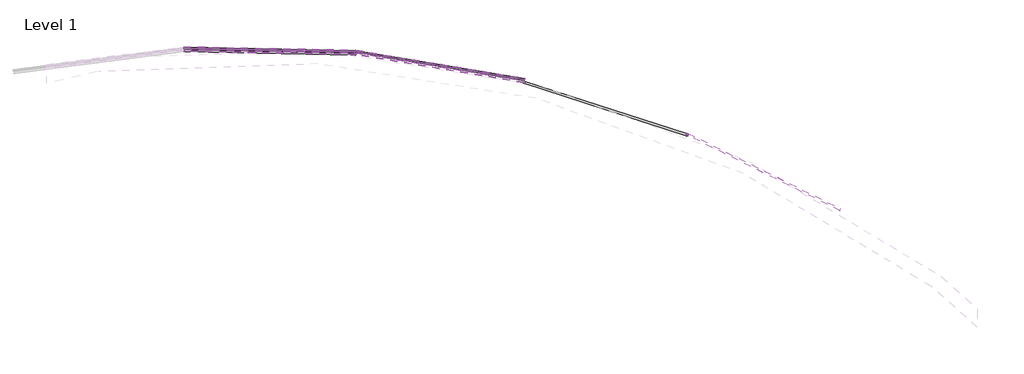
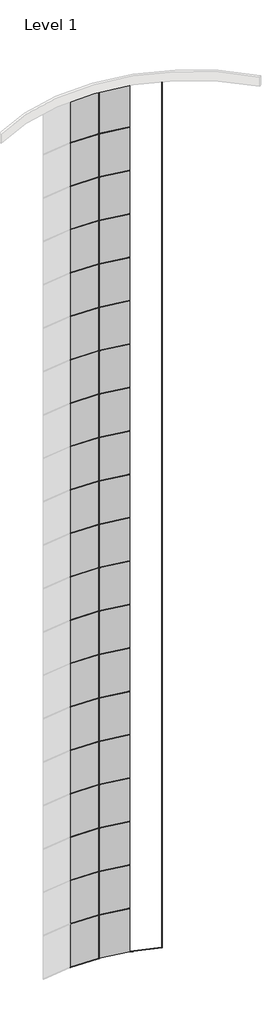
# One storey, part 20 of 25: 81 members, 40 plates.
"""IFC4 building model written with IfcOpenShell, lengths in millimetres."""

import ifcopenshell
import ifcopenshell.guid

model = None  # the IFC model being written
_history = None  # IfcOwnerHistory: only IFC2X3 demands one
_inside = {}  # id of a spatial element -> (the spatial element, [elements in it])
_under = {}  # id of a project, library or spatial element -> (it, [spatial elements below it])
_declared = {}  # id of a project -> (the project, [libraries it declares])
_typed = {}  # id of a type object -> (the type object, [elements of that type])
_made_of = {}  # id of a material, layer set ... -> (it, [elements and type objects made of it])


def new_model(schema):
    """Start an empty IFC model of exactly this schema.

    Asked for "IFC4X3", IfcOpenShell would pick the latest addendum, in which some entities
    have other attributes; the version numbers below select the first issue.
    IFC2X3 requires an IfcOwnerHistory on every rooted entity: one is made here for all.
    """
    global model, _history
    if schema == "IFC4X3":
        model = ifcopenshell.file(schema_version=(4, 3, 0, 0))
    else:
        model = ifcopenshell.file(schema=schema)
    _inside.clear()
    _under.clear()
    _declared.clear()
    _typed.clear()
    _made_of.clear()
    _history = None
    if model.schema == "IFC2X3":
        org = make("IfcOrganization", Name="unknown")
        user = make(
            "IfcPersonAndOrganization",
            ThePerson=make("IfcPerson", FamilyName="unknown"),
            TheOrganization=org,
        )
        app = make(
            "IfcApplication",
            ApplicationDeveloper=org,
            Version="unknown",
            ApplicationFullName="unknown",
            ApplicationIdentifier="unknown",
        )
        _history = make(
            "IfcOwnerHistory",
            OwningUser=user,
            OwningApplication=app,
            ChangeAction="ADDED",
            CreationDate=0,
        )
    return model


def make(cls, **values):
    """One entity of the class cls with the attributes given. An attribute that is None is left unset."""
    return model.create_entity(
        cls, **{name: value for name, value in values.items() if value is not None}
    )


def rooted(cls, **values):
    """An entity with a GlobalId (a new one), such as an element, a storey or a relation."""
    return make(cls, GlobalId=ifcopenshell.guid.new(), OwnerHistory=_history, **values)


def si_unit(unit_type, name, prefix=None):
    """IfcSIUnit, for example si_unit("LENGTHUNIT", "METRE", prefix="MILLI")."""
    return make("IfcSIUnit", UnitType=unit_type, Prefix=prefix, Name=name)


def assignment(units):
    """IfcUnitAssignment: the units of a project."""
    return None if units is None else make("IfcUnitAssignment", Units=units)


def point(xyz):
    """IfcCartesianPoint."""
    return None if xyz is None else make("IfcCartesianPoint", Coordinates=xyz)


def direction(xyz):
    """IfcDirection."""
    return None if xyz is None else make("IfcDirection", DirectionRatios=xyz)


def frame(location, z_axis=None, x_axis=None):
    """IfcAxis2Placement3D, a coordinate frame: its origin and axes. An axis left out is left unset."""
    return make(
        "IfcAxis2Placement3D",
        Location=point(location),
        Axis=direction(z_axis),
        RefDirection=direction(x_axis),
    )


def origin():
    """The frame at (0, 0, 0) with its axes left unset."""
    return frame((0.0, 0.0, 0.0))


def origin_with_axes():
    """The frame at (0, 0, 0) with the z axis (0, 0, 1) and the x axis (1, 0, 0) written out."""
    return frame((0.0, 0.0, 0.0), z_axis=(0.0, 0.0, 1.0), x_axis=(1.0, 0.0, 0.0))


def place(relative_to, where):
    """IfcLocalPlacement: puts the frame where relative to a parent placement (None: the world)."""
    return make(
        "IfcLocalPlacement", PlacementRelTo=relative_to, RelativePlacement=where
    )


def context(
    kind, dimensions, precision=None, world=None, true_north=None, identifier=None
):
    """IfcGeometricRepresentationContext, for example the 3D "Model" context."""
    return make(
        "IfcGeometricRepresentationContext",
        ContextIdentifier=identifier,
        ContextType=kind,
        CoordinateSpaceDimension=dimensions,
        Precision=precision,
        WorldCoordinateSystem=world,
        TrueNorth=true_north,
    )


def project(units=None, contexts=None):
    """IfcProject with its units and contexts."""
    return rooted(
        "IfcProject",
        Name="project",
        RepresentationContexts=contexts,
        UnitsInContext=assignment(units),
    )


def spatial(cls, under=None, at=None, **own):
    """A site, building, storey or space (cls), placed at a placement, below another one or the project."""
    s = rooted(cls, ObjectPlacement=at, **own)
    if under is not None:
        _under.setdefault(under.id(), (under, []))[1].append(s)
    return s


def polyline(points):
    """IfcPolyline through the points."""
    return make("IfcPolyline", Points=[point(p) for p in points])


def outline(outer, holes=None, kind="AREA"):
    """IfcArbitraryClosedProfileDef: a profile drawn as a closed curve; with holes, ...WithVoids."""
    if holes is None:
        return make("IfcArbitraryClosedProfileDef", ProfileType=kind, OuterCurve=outer)
    return make(
        "IfcArbitraryProfileDefWithVoids",
        ProfileType=kind,
        OuterCurve=outer,
        InnerCurves=holes,
    )


def extrude(swept, where, along, depth):
    """IfcExtrudedAreaSolid: the profile swept, set in the frame where, extruded along a direction by depth."""
    return make(
        "IfcExtrudedAreaSolid",
        SweptArea=swept,
        Position=where,
        ExtrudedDirection=direction(along),
        Depth=depth,
    )


def faces_of(points, faces, orient=None, outer=None):
    """IfcFace entities. A face is a list of loops; a loop is a list of indices into points, from 0.

    orient and outer hold one flag for each loop. By default every Orientation is true, the
    first loop of a face is its IfcFaceOuterBound and the others are IfcFaceBound.
    """
    made = []
    for i, loops in enumerate(faces):
        bounds = []
        for j, loop in enumerate(loops):
            is_outer = j == 0 if outer is None else outer[i][j]
            bounds.append(
                make(
                    "IfcFaceOuterBound" if is_outer else "IfcFaceBound",
                    Bound=make("IfcPolyLoop", Polygon=[points[k] for k in loop]),
                    Orientation=True if orient is None else orient[i][j],
                )
            )
        made.append(make("IfcFace", Bounds=bounds))
    return made


def faceted_brep(points, faces, orient=None, outer=None, voids=None):
    """IfcFacetedBrep: a solid bounded by flat faces; with voids (closed shells), ...WithVoids."""
    shared = [point(p) for p in points]
    hull = make("IfcClosedShell", CfsFaces=faces_of(shared, faces, orient, outer))
    if voids is None:
        return make("IfcFacetedBrep", Outer=hull)
    return make(
        "IfcFacetedBrepWithVoids",
        Outer=hull,
        Voids=[
            make(cls, CfsFaces=faces_of(shared, fs, o, b)) for cls, fs, o, b in voids
        ],
    )


def shape(context_of_items, identifier, shape_type, items):
    """IfcShapeRepresentation: the items that make up one representation, for example the "Body"."""
    return make(
        "IfcShapeRepresentation",
        ContextOfItems=context_of_items,
        RepresentationIdentifier=identifier,
        RepresentationType=shape_type,
        Items=items,
    )


def source(mapping_origin, context_of_items, identifier, shape_type, items):
    """IfcRepresentationMap: a shape defined once, which mapped items show again and again."""
    return make(
        "IfcRepresentationMap",
        MappingOrigin=mapping_origin,
        MappedRepresentation=shape(context_of_items, identifier, shape_type, items),
    )


def transform(
    local_origin,
    x_axis=None,
    y_axis=None,
    z_axis=None,
    scale=None,
    scale2=None,
    scale3=None,
    uniform=True,
):
    """IfcCartesianTransformationOperator3D, or its non-uniform kind. x_axis, y_axis, z_axis: its Axis1, 2, 3."""
    if uniform:
        return make(
            "IfcCartesianTransformationOperator3D",
            Axis1=direction(x_axis),
            Axis2=direction(y_axis),
            LocalOrigin=point(local_origin),
            Scale=scale,
            Axis3=direction(z_axis),
        )
    return make(
        "IfcCartesianTransformationOperator3DnonUniform",
        Axis1=direction(x_axis),
        Axis2=direction(y_axis),
        LocalOrigin=point(local_origin),
        Scale=scale,
        Axis3=direction(z_axis),
        Scale2=scale2,
        Scale3=scale3,
    )


def mapped(mapping_source, mapping_target):
    """IfcMappedItem: shows the shape of a source again, moved by a transform."""
    return make(
        "IfcMappedItem", MappingSource=mapping_source, MappingTarget=mapping_target
    )


def made_of(thing, what):
    """Note that an element or type object is made of a material, layer set ...; save() writes the relation."""
    if what is not None:
        _made_of.setdefault(what.id(), (what, []))[1].append(thing)
    return thing


def element(
    cls,
    number,
    at=None,
    inside=None,
    cuts=None,
    type_object=None,
    material=None,
    context=None,
    identifier="Body",
    shape_type=None,
    held_by="IfcProductDefinitionShape",
    body=None,
    shapes=None,
    **own,
):
    """One element of the class cls, such as IfcWall. Its Tag is "e" and its number.

    at: its placement. inside: the storey or other place that contains it. cuts: it is an
    opening in that element (IfcRelVoidsElement). A single representation is given by context,
    identifier, shape_type and body (its items); several are given by shapes. held_by: the class
    of the entity that holds the representations. save() writes the other relations.
    """
    e = rooted(cls, Tag="e%d" % number, ObjectPlacement=at, **own)
    if body is not None:
        shapes = [shape(context, identifier, shape_type, body)]
    if shapes is not None:
        e.Representation = make(held_by, Representations=shapes)
    if inside is not None:
        _inside.setdefault(inside.id(), (inside, []))[1].append(e)
    if cuts is not None:
        rooted(
            "IfcRelVoidsElement", RelatingBuildingElement=cuts, RelatedOpeningElement=e
        )
    if type_object is not None:
        _typed.setdefault(type_object.id(), (type_object, []))[1].append(e)
    return made_of(e, material)


def aggregate(whole, parts):
    """IfcRelAggregates: a whole, such as a stair, and the parts it consists of."""
    return rooted("IfcRelAggregates", RelatingObject=whole, RelatedObjects=parts)


def save(model, path):
    """Write the relations noted so far, then the file.

    IfcRelAggregates (storeys below a building ...), IfcRelContainedInSpatialStructure (elements
    in a storey), IfcRelDefinesByType, IfcRelAssociatesMaterial and IfcRelDeclares: one each for
    every whole, place, type object, material and project.
    """
    for whole, parts in _under.values():
        aggregate(whole, parts)
    for where, things in _inside.values():
        rooted(
            "IfcRelContainedInSpatialStructure",
            RelatedElements=things,
            RelatingStructure=where,
        )
    for kind, things in _typed.values():
        rooted("IfcRelDefinesByType", RelatedObjects=things, RelatingType=kind)
    for what, things in _made_of.values():
        rooted("IfcRelAssociatesMaterial", RelatedObjects=things, RelatingMaterial=what)
    for by, libraries in _declared.values():
        rooted("IfcRelDeclares", RelatingContext=by, RelatedDefinitions=libraries)
    model.write(path)


def rectangular_mullion_30mm_square_a2305603(model_context):
    return source(origin(), model_context, "Body", "SweptSolid", [
        extrude(outline(polyline([(15.0, 15.0), (15.0, -15.0), (-15.0, -15.0), (-15.0, 15.0), (15.0, 15.0)])), frame((0.0, 0.0, -4015.0), z_axis=(0.0, 0.0, 1.0), x_axis=(1.0, 0.0, 0.0)), (0.0, 0.0, 1.0), 4015.0),
    ])


def rectangular_mullion_30mm_square_2a99bbf3(model_context):
    return source(origin(), model_context, "Body", "SweptSolid", [
        extrude(outline(polyline([(15.0, 15.0), (15.0, -15.0), (-15.0, -15.0), (-15.0, 15.0), (15.0, 15.0)])), frame((0.0, 0.0, -4000.0), z_axis=(0.0, 0.0, 1.0), x_axis=(1.0, 0.0, 0.0)), (0.0, 0.0, 1.0), 4000.0),
    ])


def rectangular_mullion_30mm_square_a85e5849(model_context):
    return source(origin(), model_context, "Body", "SweptSolid", [
        extrude(outline(polyline([(15.0, 15.0), (15.0, -15.0), (-15.0, -15.0), (-15.0, 15.0), (15.0, 15.0)])), frame((0.0, 0.0, -3985.0), z_axis=(0.0, 0.0, 1.0), x_axis=(1.0, 0.0, 0.0)), (0.0, 0.0, 1.0), 3985.0),
    ])


def rectangular_mullion_30mm_square_05d4f6f3(model_context):
    return source(origin(), model_context, "Body", "SweptSolid", [
        extrude(outline(polyline([(-15.0, 14.447782), (-13.8564546, -1.0623369), (15.0, 1.0652204), (15.0, -2471.0652204), (-13.8564546, -2468.9376631), (-15.0, -2484.447782), (-15.0, 14.447782)])), frame((-30.0, 0.0, 0.0), z_axis=(1.0, 0.0, 0.0), x_axis=(0.0, 1.0, 0.0)), (0.0, 0.0, 1.0), 30.0),
    ])


def rectangular_mullion_30mm_square_8ac713fb(model_context):
    return source(origin(), model_context, "Body", "Brep", [
        faceted_brep([(-15.0, 15.0, 1.0652204), (0.0, 15.0, 1.0652204), (15.0, 15.0, 1.0652204), (15.0, 15.0, -2471.0652204), (0.0, 15.0, -2471.0652204), (-15.0, 15.0, -2471.0652204), (-15.0, -15.0, 14.447782), (-15.0, -13.8564546, -1.0623369), (-15.0, -13.8564546, -2468.9376631), (-15.0, -15.0, -2484.447782), (15.0, -15.0, 14.447782), (0.0, -15.0, 14.447782), (0.0, -15.0, -2484.447782), (15.0, -15.0, -2484.447782), (15.0, -13.8564546, -1.0623369), (15.0, -13.8564546, -2468.9376631), (0.0, -13.8564546, -1.0623369), (0.0, -13.8564546, -2468.9376631)], [[[0, 1, 2, 3, 4, 5]], [[6, 7, 0, 5, 8, 9]], [[10, 11, 6, 9, 12, 13]], [[2, 14, 10, 13, 15, 3]], [[2, 1, 16, 14]], [[1, 0, 7, 16]], [[7, 6, 11, 16]], [[11, 10, 14, 16]], [[3, 15, 17, 4]], [[15, 13, 12, 17]], [[12, 9, 8, 17]], [[8, 5, 4, 17]]]),
    ])


def system_panel_glazed_a46cada3(model_context):
    return source(origin(), model_context, "Body", "SweptSolid", [
        extrude(outline(polyline([(1250.0, -49.5), (-1250.0, -49.5), (-1250.0, -24.5), (1250.0, -24.5), (1250.0, -49.5)])), origin_with_axes(), (0.0, 0.0, 1.0), 4000.0),
    ])


def system_panel_glazed_f0c60a00(model_context):
    return source(origin(), model_context, "Body", "SweptSolid", [
        extrude(outline(polyline([(1250.0, -49.5), (-1250.0, -49.5), (-1250.0, -24.5), (1250.0, -24.5), (1250.0, -49.5)])), origin_with_axes(), (0.0, 0.0, 1.0), 4015.0),
    ])


def system_panel_glazed_3cdec05c(model_context):
    return source(origin(), model_context, "Body", "SweptSolid", [
        extrude(outline(polyline([(1250.0, -49.5), (-1250.0, -49.5), (-1250.0, -24.5), (1250.0, -24.5), (1250.0, -49.5)])), origin_with_axes(), (0.0, 0.0, 1.0), 3985.0),
    ])


model = new_model("IFC4")

# Units and contexts
model_context = context("Model", 3, world=origin())
ifc_project = project(units=[si_unit("LENGTHUNIT", "METRE", prefix="MILLI")], contexts=[model_context])

# Site, building, storey
site = spatial("IfcSite", under=ifc_project)
building = spatial("IfcBuilding", under=site)
storey = spatial("IfcBuildingStorey", under=building, Name="Level 1", Elevation=0.0)

# Members
placement = place(None, origin())
rectangular_mullion_30mm_square_shape = rectangular_mullion_30mm_square_a2305603(model_context)
element("IfcMember", 1, ObjectType="Rectangular Mullion : 30mm Square", at=placement, inside=storey, context=model_context, shape_type="MappedRepresentation", body=[
    mapped(rectangular_mullion_30mm_square_shape, transform((10635.8833375, 11718.2705766, 0.0), x_axis=(-0.9262757694765463, 0.37684638631759776, 0.0), y_axis=(0.37684638631759776, 0.9262757694765463, 0.0), z_axis=(0.0, 0.0, -1.0))),
])
element("IfcMember", 2, ObjectType="Rectangular Mullion : 30mm Square", at=placement, inside=storey, context=model_context, shape_type="MappedRepresentation", body=[
    mapped(rectangular_mullion_30mm_square_shape, transform((5791.3908232, 12899.67987, 0.0), x_axis=(-0.9957704337922841, 0.09187623841411002, 0.0), y_axis=(0.09187623841411002, 0.9957704337922841, 0.0), z_axis=(0.0, 0.0, -1.0))),
])
rectangular_mullion_30mm_square_2_shape = rectangular_mullion_30mm_square_2a99bbf3(model_context)
element("IfcMember", 3, ObjectType="Rectangular Mullion : 30mm Square", at=placement, inside=storey, context=model_context, shape_type="MappedRepresentation", body=[
    mapped(rectangular_mullion_30mm_square_2_shape, transform((10635.8833375, 11718.2705766, 4015.0), x_axis=(-0.9262757694765463, 0.37684638631759776, 0.0), y_axis=(0.37684638631759776, 0.9262757694765463, 0.0), z_axis=(0.0, 0.0, -1.0))),
])
element("IfcMember", 4, ObjectType="Rectangular Mullion : 30mm Square", at=placement, inside=storey, context=model_context, shape_type="MappedRepresentation", body=[
    mapped(rectangular_mullion_30mm_square_2_shape, transform((5791.3908232, 12899.67987, 4015.0), x_axis=(-0.9957704337922841, 0.09187623841411002, 0.0), y_axis=(0.09187623841411002, 0.9957704337922841, 0.0), z_axis=(0.0, 0.0, -1.0))),
])
element("IfcMember", 5, ObjectType="Rectangular Mullion : 30mm Square", at=placement, inside=storey, context=model_context, shape_type="MappedRepresentation", body=[
    mapped(rectangular_mullion_30mm_square_2_shape, transform((10635.8833375, 11718.2705766, 8015.0), x_axis=(-0.9262757694765463, 0.37684638631759776, 0.0), y_axis=(0.37684638631759776, 0.9262757694765463, 0.0), z_axis=(0.0, 0.0, -1.0))),
])
element("IfcMember", 6, ObjectType="Rectangular Mullion : 30mm Square", at=placement, inside=storey, context=model_context, shape_type="MappedRepresentation", body=[
    mapped(rectangular_mullion_30mm_square_2_shape, transform((5791.3908232, 12899.67987, 8015.0), x_axis=(-0.9957704337922841, 0.09187623841411002, 0.0), y_axis=(0.09187623841411002, 0.9957704337922841, 0.0), z_axis=(0.0, 0.0, -1.0))),
])
element("IfcMember", 7, ObjectType="Rectangular Mullion : 30mm Square", at=placement, inside=storey, context=model_context, shape_type="MappedRepresentation", body=[
    mapped(rectangular_mullion_30mm_square_2_shape, transform((10635.8833375, 11718.2705766, 12015.0), x_axis=(-0.9262757694765463, 0.37684638631759776, 0.0), y_axis=(0.37684638631759776, 0.9262757694765463, 0.0), z_axis=(0.0, 0.0, -1.0))),
])
element("IfcMember", 8, ObjectType="Rectangular Mullion : 30mm Square", at=placement, inside=storey, context=model_context, shape_type="MappedRepresentation", body=[
    mapped(rectangular_mullion_30mm_square_2_shape, transform((5791.3908232, 12899.67987, 12015.0), x_axis=(-0.9957704337922841, 0.09187623841411002, 0.0), y_axis=(0.09187623841411002, 0.9957704337922841, 0.0), z_axis=(0.0, 0.0, -1.0))),
])
element("IfcMember", 9, ObjectType="Rectangular Mullion : 30mm Square", at=placement, inside=storey, context=model_context, shape_type="MappedRepresentation", body=[
    mapped(rectangular_mullion_30mm_square_2_shape, transform((10635.8833375, 11718.2705766, 16015.0), x_axis=(-0.9262757694765463, 0.37684638631759776, 0.0), y_axis=(0.37684638631759776, 0.9262757694765463, 0.0), z_axis=(0.0, 0.0, -1.0))),
])
element("IfcMember", 10, ObjectType="Rectangular Mullion : 30mm Square", at=placement, inside=storey, context=model_context, shape_type="MappedRepresentation", body=[
    mapped(rectangular_mullion_30mm_square_2_shape, transform((5791.3908232, 12899.67987, 16015.0), x_axis=(-0.9957704337922841, 0.09187623841411002, 0.0), y_axis=(0.09187623841411002, 0.9957704337922841, 0.0), z_axis=(0.0, 0.0, -1.0))),
])
element("IfcMember", 11, ObjectType="Rectangular Mullion : 30mm Square", at=placement, inside=storey, context=model_context, shape_type="MappedRepresentation", body=[
    mapped(rectangular_mullion_30mm_square_2_shape, transform((10635.8833375, 11718.2705766, 20015.0), x_axis=(-0.9262757694765463, 0.37684638631759776, 0.0), y_axis=(0.37684638631759776, 0.9262757694765463, 0.0), z_axis=(0.0, 0.0, -1.0))),
])
element("IfcMember", 12, ObjectType="Rectangular Mullion : 30mm Square", at=placement, inside=storey, context=model_context, shape_type="MappedRepresentation", body=[
    mapped(rectangular_mullion_30mm_square_2_shape, transform((5791.3908232, 12899.67987, 20015.0), x_axis=(-0.9957704337922841, 0.09187623841411002, 0.0), y_axis=(0.09187623841411002, 0.9957704337922841, 0.0), z_axis=(0.0, 0.0, -1.0))),
])
element("IfcMember", 13, ObjectType="Rectangular Mullion : 30mm Square", at=placement, inside=storey, context=model_context, shape_type="MappedRepresentation", body=[
    mapped(rectangular_mullion_30mm_square_2_shape, transform((10635.8833375, 11718.2705766, 24015.0), x_axis=(-0.9262757694765463, 0.37684638631759776, 0.0), y_axis=(0.37684638631759776, 0.9262757694765463, 0.0), z_axis=(0.0, 0.0, -1.0))),
])
element("IfcMember", 14, ObjectType="Rectangular Mullion : 30mm Square", at=placement, inside=storey, context=model_context, shape_type="MappedRepresentation", body=[
    mapped(rectangular_mullion_30mm_square_2_shape, transform((5791.3908232, 12899.67987, 24015.0), x_axis=(-0.9957704337922841, 0.09187623841411002, 0.0), y_axis=(0.09187623841411002, 0.9957704337922841, 0.0), z_axis=(0.0, 0.0, -1.0))),
])
element("IfcMember", 15, ObjectType="Rectangular Mullion : 30mm Square", at=placement, inside=storey, context=model_context, shape_type="MappedRepresentation", body=[
    mapped(rectangular_mullion_30mm_square_2_shape, transform((10635.8833375, 11718.2705766, 28015.0), x_axis=(-0.9262757694765463, 0.37684638631759776, 0.0), y_axis=(0.37684638631759776, 0.9262757694765463, 0.0), z_axis=(0.0, 0.0, -1.0))),
])
element("IfcMember", 16, ObjectType="Rectangular Mullion : 30mm Square", at=placement, inside=storey, context=model_context, shape_type="MappedRepresentation", body=[
    mapped(rectangular_mullion_30mm_square_2_shape, transform((5791.3908232, 12899.67987, 28015.0), x_axis=(-0.9957704337922841, 0.09187623841411002, 0.0), y_axis=(0.09187623841411002, 0.9957704337922841, 0.0), z_axis=(0.0, 0.0, -1.0))),
])
element("IfcMember", 17, ObjectType="Rectangular Mullion : 30mm Square", at=placement, inside=storey, context=model_context, shape_type="MappedRepresentation", body=[
    mapped(rectangular_mullion_30mm_square_2_shape, transform((10635.8833375, 11718.2705766, 32015.0), x_axis=(-0.9262757694765463, 0.37684638631759776, 0.0), y_axis=(0.37684638631759776, 0.9262757694765463, 0.0), z_axis=(0.0, 0.0, -1.0))),
])
element("IfcMember", 18, ObjectType="Rectangular Mullion : 30mm Square", at=placement, inside=storey, context=model_context, shape_type="MappedRepresentation", body=[
    mapped(rectangular_mullion_30mm_square_2_shape, transform((5791.3908232, 12899.67987, 32015.0), x_axis=(-0.9957704337922841, 0.09187623841411002, 0.0), y_axis=(0.09187623841411002, 0.9957704337922841, 0.0), z_axis=(0.0, 0.0, -1.0))),
])
element("IfcMember", 19, ObjectType="Rectangular Mullion : 30mm Square", at=placement, inside=storey, context=model_context, shape_type="MappedRepresentation", body=[
    mapped(rectangular_mullion_30mm_square_2_shape, transform((10635.8833375, 11718.2705766, 36015.0), x_axis=(-0.9262757694765463, 0.37684638631759776, 0.0), y_axis=(0.37684638631759776, 0.9262757694765463, 0.0), z_axis=(0.0, 0.0, -1.0))),
])
element("IfcMember", 20, ObjectType="Rectangular Mullion : 30mm Square", at=placement, inside=storey, context=model_context, shape_type="MappedRepresentation", body=[
    mapped(rectangular_mullion_30mm_square_2_shape, transform((5791.3908232, 12899.67987, 36015.0), x_axis=(-0.9957704337922841, 0.09187623841411002, 0.0), y_axis=(0.09187623841411002, 0.9957704337922841, 0.0), z_axis=(0.0, 0.0, -1.0))),
])
element("IfcMember", 21, ObjectType="Rectangular Mullion : 30mm Square", at=placement, inside=storey, context=model_context, shape_type="MappedRepresentation", body=[
    mapped(rectangular_mullion_30mm_square_2_shape, transform((10635.8833375, 11718.2705766, 40015.0), x_axis=(-0.9262757694765463, 0.37684638631759776, 0.0), y_axis=(0.37684638631759776, 0.9262757694765463, 0.0), z_axis=(0.0, 0.0, -1.0))),
])
element("IfcMember", 22, ObjectType="Rectangular Mullion : 30mm Square", at=placement, inside=storey, context=model_context, shape_type="MappedRepresentation", body=[
    mapped(rectangular_mullion_30mm_square_2_shape, transform((5791.3908232, 12899.67987, 40015.0), x_axis=(-0.9957704337922841, 0.09187623841411002, 0.0), y_axis=(0.09187623841411002, 0.9957704337922841, 0.0), z_axis=(0.0, 0.0, -1.0))),
])
element("IfcMember", 23, ObjectType="Rectangular Mullion : 30mm Square", at=placement, inside=storey, context=model_context, shape_type="MappedRepresentation", body=[
    mapped(rectangular_mullion_30mm_square_2_shape, transform((10635.8833375, 11718.2705766, 44015.0), x_axis=(-0.9262757694765463, 0.37684638631759776, 0.0), y_axis=(0.37684638631759776, 0.9262757694765463, 0.0), z_axis=(0.0, 0.0, -1.0))),
])
element("IfcMember", 24, ObjectType="Rectangular Mullion : 30mm Square", at=placement, inside=storey, context=model_context, shape_type="MappedRepresentation", body=[
    mapped(rectangular_mullion_30mm_square_2_shape, transform((5791.3908232, 12899.67987, 44015.0), x_axis=(-0.9957704337922841, 0.09187623841411002, 0.0), y_axis=(0.09187623841411002, 0.9957704337922841, 0.0), z_axis=(0.0, 0.0, -1.0))),
])
element("IfcMember", 25, ObjectType="Rectangular Mullion : 30mm Square", at=placement, inside=storey, context=model_context, shape_type="MappedRepresentation", body=[
    mapped(rectangular_mullion_30mm_square_2_shape, transform((10635.8833375, 11718.2705766, 48015.0), x_axis=(-0.9262757694765463, 0.37684638631759776, 0.0), y_axis=(0.37684638631759776, 0.9262757694765463, 0.0), z_axis=(0.0, 0.0, -1.0))),
])
element("IfcMember", 26, ObjectType="Rectangular Mullion : 30mm Square", at=placement, inside=storey, context=model_context, shape_type="MappedRepresentation", body=[
    mapped(rectangular_mullion_30mm_square_2_shape, transform((5791.3908232, 12899.67987, 48015.0), x_axis=(-0.9957704337922841, 0.09187623841411002, 0.0), y_axis=(0.09187623841411002, 0.9957704337922841, 0.0), z_axis=(0.0, 0.0, -1.0))),
])
element("IfcMember", 27, ObjectType="Rectangular Mullion : 30mm Square", at=placement, inside=storey, context=model_context, shape_type="MappedRepresentation", body=[
    mapped(rectangular_mullion_30mm_square_2_shape, transform((10635.8833375, 11718.2705766, 52015.0), x_axis=(-0.9262757694765463, 0.37684638631759776, 0.0), y_axis=(0.37684638631759776, 0.9262757694765463, 0.0), z_axis=(0.0, 0.0, -1.0))),
])
element("IfcMember", 28, ObjectType="Rectangular Mullion : 30mm Square", at=placement, inside=storey, context=model_context, shape_type="MappedRepresentation", body=[
    mapped(rectangular_mullion_30mm_square_2_shape, transform((5791.3908232, 12899.67987, 52015.0), x_axis=(-0.9957704337922841, 0.09187623841411002, 0.0), y_axis=(0.09187623841411002, 0.9957704337922841, 0.0), z_axis=(0.0, 0.0, -1.0))),
])
element("IfcMember", 29, ObjectType="Rectangular Mullion : 30mm Square", at=placement, inside=storey, context=model_context, shape_type="MappedRepresentation", body=[
    mapped(rectangular_mullion_30mm_square_2_shape, transform((10635.8833375, 11718.2705766, 56015.0), x_axis=(-0.9262757694765463, 0.37684638631759776, 0.0), y_axis=(0.37684638631759776, 0.9262757694765463, 0.0), z_axis=(0.0, 0.0, -1.0))),
])
element("IfcMember", 30, ObjectType="Rectangular Mullion : 30mm Square", at=placement, inside=storey, context=model_context, shape_type="MappedRepresentation", body=[
    mapped(rectangular_mullion_30mm_square_2_shape, transform((5791.3908232, 12899.67987, 56015.0), x_axis=(-0.9957704337922841, 0.09187623841411002, 0.0), y_axis=(0.09187623841411002, 0.9957704337922841, 0.0), z_axis=(0.0, 0.0, -1.0))),
])
element("IfcMember", 31, ObjectType="Rectangular Mullion : 30mm Square", at=placement, inside=storey, context=model_context, shape_type="MappedRepresentation", body=[
    mapped(rectangular_mullion_30mm_square_2_shape, transform((10635.8833375, 11718.2705766, 60015.0), x_axis=(-0.9262757694765463, 0.37684638631759776, 0.0), y_axis=(0.37684638631759776, 0.9262757694765463, 0.0), z_axis=(0.0, 0.0, -1.0))),
])
element("IfcMember", 32, ObjectType="Rectangular Mullion : 30mm Square", at=placement, inside=storey, context=model_context, shape_type="MappedRepresentation", body=[
    mapped(rectangular_mullion_30mm_square_2_shape, transform((5791.3908232, 12899.67987, 60015.0), x_axis=(-0.9957704337922841, 0.09187623841411002, 0.0), y_axis=(0.09187623841411002, 0.9957704337922841, 0.0), z_axis=(0.0, 0.0, -1.0))),
])
element("IfcMember", 33, ObjectType="Rectangular Mullion : 30mm Square", at=placement, inside=storey, context=model_context, shape_type="MappedRepresentation", body=[
    mapped(rectangular_mullion_30mm_square_2_shape, transform((10635.8833375, 11718.2705766, 64015.0), x_axis=(-0.9262757694765463, 0.37684638631759776, 0.0), y_axis=(0.37684638631759776, 0.9262757694765463, 0.0), z_axis=(0.0, 0.0, -1.0))),
])
element("IfcMember", 34, ObjectType="Rectangular Mullion : 30mm Square", at=placement, inside=storey, context=model_context, shape_type="MappedRepresentation", body=[
    mapped(rectangular_mullion_30mm_square_2_shape, transform((5791.3908232, 12899.67987, 64015.0), x_axis=(-0.9957704337922841, 0.09187623841411002, 0.0), y_axis=(0.09187623841411002, 0.9957704337922841, 0.0), z_axis=(0.0, 0.0, -1.0))),
])
element("IfcMember", 35, ObjectType="Rectangular Mullion : 30mm Square", at=placement, inside=storey, context=model_context, shape_type="MappedRepresentation", body=[
    mapped(rectangular_mullion_30mm_square_2_shape, transform((10635.8833375, 11718.2705766, 68015.0), x_axis=(-0.9262757694765463, 0.37684638631759776, 0.0), y_axis=(0.37684638631759776, 0.9262757694765463, 0.0), z_axis=(0.0, 0.0, -1.0))),
])
element("IfcMember", 36, ObjectType="Rectangular Mullion : 30mm Square", at=placement, inside=storey, context=model_context, shape_type="MappedRepresentation", body=[
    mapped(rectangular_mullion_30mm_square_2_shape, transform((5791.3908232, 12899.67987, 68015.0), x_axis=(-0.9957704337922841, 0.09187623841411002, 0.0), y_axis=(0.09187623841411002, 0.9957704337922841, 0.0), z_axis=(0.0, 0.0, -1.0))),
])
element("IfcMember", 37, ObjectType="Rectangular Mullion : 30mm Square", at=placement, inside=storey, context=model_context, shape_type="MappedRepresentation", body=[
    mapped(rectangular_mullion_30mm_square_2_shape, transform((10635.8833375, 11718.2705766, 72015.0), x_axis=(-0.9262757694765463, 0.37684638631759776, 0.0), y_axis=(0.37684638631759776, 0.9262757694765463, 0.0), z_axis=(0.0, 0.0, -1.0))),
])
element("IfcMember", 38, ObjectType="Rectangular Mullion : 30mm Square", at=placement, inside=storey, context=model_context, shape_type="MappedRepresentation", body=[
    mapped(rectangular_mullion_30mm_square_2_shape, transform((5791.3908232, 12899.67987, 72015.0), x_axis=(-0.9957704337922841, 0.09187623841411002, 0.0), y_axis=(0.09187623841411002, 0.9957704337922841, 0.0), z_axis=(0.0, 0.0, -1.0))),
])
rectangular_mullion_30mm_square_3_shape = rectangular_mullion_30mm_square_a85e5849(model_context)
element("IfcMember", 39, ObjectType="Rectangular Mullion : 30mm Square", at=placement, inside=storey, context=model_context, shape_type="MappedRepresentation", body=[
    mapped(rectangular_mullion_30mm_square_3_shape, transform((10635.8833375, 11718.2705766, 76015.0), x_axis=(-0.9262757694765463, 0.37684638631759776, 0.0), y_axis=(0.37684638631759776, 0.9262757694765463, 0.0), z_axis=(0.0, 0.0, -1.0))),
])
element("IfcMember", 40, ObjectType="Rectangular Mullion : 30mm Square", at=placement, inside=storey, context=model_context, shape_type="MappedRepresentation", body=[
    mapped(rectangular_mullion_30mm_square_3_shape, transform((5791.3908232, 12899.67987, 76015.0), x_axis=(-0.9957704337922841, 0.09187623841411002, 0.0), y_axis=(0.09187623841411002, 0.9957704337922841, 0.0), z_axis=(0.0, 0.0, -1.0))),
])
rectangular_mullion_30mm_square_4_shape = rectangular_mullion_30mm_square_05d4f6f3(model_context)
element("IfcMember", 41, ObjectType="Rectangular Mullion : 30mm Square", at=placement, inside=storey, context=model_context, shape_type="MappedRepresentation", body=[
    mapped(rectangular_mullion_30mm_square_4_shape, transform((10649.3242239, 11711.6115547, 80000.0), x_axis=(0.0, 0.0, 1.0), y_axis=(0.44393479408094183, 0.8960590932546312, 0.0), z_axis=(-0.8960590932546312, 0.44393479408094183, 0.0))),
])
element("IfcMember", 42, ObjectType="Rectangular Mullion : 30mm Square", at=placement, inside=storey, context=model_context, shape_type="MappedRepresentation", body=[
    mapped(rectangular_mullion_30mm_square_4_shape, transform((5806.1856131, 12897.2071808, 80000.0), x_axis=(0.0, 0.0, 1.0), y_axis=(0.16484594818909679, 0.9863193262659096, 0.0), z_axis=(-0.9863193262659095, 0.16484594818909676, 0.0))),
])
element("IfcMember", 43, ObjectType="Rectangular Mullion : 30mm Square", at=placement, inside=storey, context=model_context, shape_type="MappedRepresentation", body=[
    mapped(rectangular_mullion_30mm_square_4_shape, transform((10621.6111723, 11722.8863432, 0.0), x_axis=(0.0, 0.0, -1.0), y_axis=(0.3077177691579215, 0.9514776794778069, 0.0), z_axis=(0.9514776794778068, -0.30771776915792143, 0.0))),
])
element("IfcMember", 44, ObjectType="Rectangular Mullion : 30mm Square", at=placement, inside=storey, context=model_context, shape_type="MappedRepresentation", body=[
    mapped(rectangular_mullion_30mm_square_4_shape, transform((5776.3933651, 12899.9560068, 0.0), x_axis=(0.0, 0.0, -1.0), y_axis=(0.018409119690229427, 0.9998305377973964, 0.0), z_axis=(0.9998305377973963, -0.018409119690229424, 0.0))),
])
rectangular_mullion_30mm_square_5_shape = rectangular_mullion_30mm_square_8ac713fb(model_context)
element("IfcMember", 45, ObjectType="Rectangular Mullion : 30mm Square", at=placement, inside=storey, context=model_context, shape_type="MappedRepresentation", body=[
    mapped(rectangular_mullion_30mm_square_5_shape, transform((5806.1856131, 12897.2071808, 4015.0), x_axis=(0.0, 0.0, 1.0), y_axis=(0.16484594818909665, 0.9863193262659096, 0.0), z_axis=(-0.9863193262659095, 0.16484594818909662, 0.0))),
])
element("IfcMember", 46, ObjectType="Rectangular Mullion : 30mm Square", at=placement, inside=storey, context=model_context, shape_type="MappedRepresentation", body=[
    mapped(rectangular_mullion_30mm_square_5_shape, transform((5806.1856131, 12897.2071808, 8015.0), x_axis=(0.0, 0.0, 1.0), y_axis=(0.16484594818909712, 0.9863193262659095, 0.0), z_axis=(-0.9863193262659095, 0.16484594818909712, 0.0))),
])
element("IfcMember", 47, ObjectType="Rectangular Mullion : 30mm Square", at=placement, inside=storey, context=model_context, shape_type="MappedRepresentation", body=[
    mapped(rectangular_mullion_30mm_square_5_shape, transform((3306.8119367, 12945.4265324, 8015.0), x_axis=(0.0, 0.0, 1.0), y_axis=(0.01840911969022939, 0.9998305377973964, 0.0), z_axis=(-0.9998305377973963, 0.018409119690229386, 0.0))),
])
element("IfcMember", 48, ObjectType="Rectangular Mullion : 30mm Square", at=placement, inside=storey, context=model_context, shape_type="MappedRepresentation", body=[
    mapped(rectangular_mullion_30mm_square_5_shape, transform((5806.1856131, 12897.2071808, 12015.0), x_axis=(0.0, 0.0, 1.0), y_axis=(0.16484594818909643, 0.9863193262659096, 0.0), z_axis=(-0.9863193262659095, 0.1648459481890964, 0.0))),
])
element("IfcMember", 49, ObjectType="Rectangular Mullion : 30mm Square", at=placement, inside=storey, context=model_context, shape_type="MappedRepresentation", body=[
    mapped(rectangular_mullion_30mm_square_5_shape, transform((3306.8119367, 12945.4265324, 12015.0), x_axis=(0.0, 0.0, 1.0), y_axis=(0.01840911969022947, 0.9998305377973964, 0.0), z_axis=(-0.9998305377973963, 0.018409119690229465, 0.0))),
])
element("IfcMember", 50, ObjectType="Rectangular Mullion : 30mm Square", at=placement, inside=storey, context=model_context, shape_type="MappedRepresentation", body=[
    mapped(rectangular_mullion_30mm_square_5_shape, transform((5806.1856131, 12897.2071808, 16015.0), x_axis=(0.0, 0.0, 1.0), y_axis=(0.16484594818909648, 0.9863193262659096, 0.0), z_axis=(-0.9863193262659095, 0.16484594818909645, 0.0))),
])
element("IfcMember", 51, ObjectType="Rectangular Mullion : 30mm Square", at=placement, inside=storey, context=model_context, shape_type="MappedRepresentation", body=[
    mapped(rectangular_mullion_30mm_square_5_shape, transform((3306.8119367, 12945.4265324, 16015.0), x_axis=(0.0, 0.0, 1.0), y_axis=(0.01840911969022947, 0.9998305377973964, 0.0), z_axis=(-0.9998305377973963, 0.018409119690229465, 0.0))),
])
element("IfcMember", 52, ObjectType="Rectangular Mullion : 30mm Square", at=placement, inside=storey, context=model_context, shape_type="MappedRepresentation", body=[
    mapped(rectangular_mullion_30mm_square_5_shape, transform((5806.1856131, 12897.2071808, 20015.0), x_axis=(0.0, 0.0, 1.0), y_axis=(0.16484594818909648, 0.9863193262659096, 0.0), z_axis=(-0.9863193262659095, 0.16484594818909645, 0.0))),
])
element("IfcMember", 53, ObjectType="Rectangular Mullion : 30mm Square", at=placement, inside=storey, context=model_context, shape_type="MappedRepresentation", body=[
    mapped(rectangular_mullion_30mm_square_5_shape, transform((3306.8119367, 12945.4265324, 20015.0), x_axis=(0.0, 0.0, 1.0), y_axis=(0.01840911969022947, 0.9998305377973964, 0.0), z_axis=(-0.9998305377973963, 0.018409119690229465, 0.0))),
])
element("IfcMember", 54, ObjectType="Rectangular Mullion : 30mm Square", at=placement, inside=storey, context=model_context, shape_type="MappedRepresentation", body=[
    mapped(rectangular_mullion_30mm_square_5_shape, transform((5806.1856131, 12897.2071808, 24015.0), x_axis=(0.0, 0.0, 1.0), y_axis=(0.16484594818909648, 0.9863193262659096, 0.0), z_axis=(-0.9863193262659095, 0.16484594818909645, 0.0))),
])
element("IfcMember", 55, ObjectType="Rectangular Mullion : 30mm Square", at=placement, inside=storey, context=model_context, shape_type="MappedRepresentation", body=[
    mapped(rectangular_mullion_30mm_square_5_shape, transform((3306.8119367, 12945.4265324, 24015.0), x_axis=(0.0, 0.0, 1.0), y_axis=(0.01840911969022947, 0.9998305377973964, 0.0), z_axis=(-0.9998305377973963, 0.018409119690229465, 0.0))),
])
element("IfcMember", 56, ObjectType="Rectangular Mullion : 30mm Square", at=placement, inside=storey, context=model_context, shape_type="MappedRepresentation", body=[
    mapped(rectangular_mullion_30mm_square_5_shape, transform((5806.1856131, 12897.2071808, 28015.0), x_axis=(0.0, 0.0, 1.0), y_axis=(0.16484594818909648, 0.9863193262659096, 0.0), z_axis=(-0.9863193262659095, 0.16484594818909645, 0.0))),
])
element("IfcMember", 57, ObjectType="Rectangular Mullion : 30mm Square", at=placement, inside=storey, context=model_context, shape_type="MappedRepresentation", body=[
    mapped(rectangular_mullion_30mm_square_5_shape, transform((3306.8119367, 12945.4265324, 28015.0), x_axis=(0.0, 0.0, 1.0), y_axis=(0.01840911969022947, 0.9998305377973964, 0.0), z_axis=(-0.9998305377973963, 0.018409119690229465, 0.0))),
])
element("IfcMember", 58, ObjectType="Rectangular Mullion : 30mm Square", at=placement, inside=storey, context=model_context, shape_type="MappedRepresentation", body=[
    mapped(rectangular_mullion_30mm_square_5_shape, transform((5806.1856131, 12897.2071808, 32015.0), x_axis=(0.0, 0.0, 1.0), y_axis=(0.16484594818909648, 0.9863193262659096, 0.0), z_axis=(-0.9863193262659095, 0.16484594818909645, 0.0))),
])
element("IfcMember", 59, ObjectType="Rectangular Mullion : 30mm Square", at=placement, inside=storey, context=model_context, shape_type="MappedRepresentation", body=[
    mapped(rectangular_mullion_30mm_square_5_shape, transform((3306.8119367, 12945.4265324, 32015.0), x_axis=(0.0, 0.0, 1.0), y_axis=(0.01840911969022947, 0.9998305377973964, 0.0), z_axis=(-0.9998305377973963, 0.018409119690229465, 0.0))),
])
element("IfcMember", 60, ObjectType="Rectangular Mullion : 30mm Square", at=placement, inside=storey, context=model_context, shape_type="MappedRepresentation", body=[
    mapped(rectangular_mullion_30mm_square_5_shape, transform((5806.1856131, 12897.2071808, 36015.0), x_axis=(0.0, 0.0, 1.0), y_axis=(0.16484594818909648, 0.9863193262659096, 0.0), z_axis=(-0.9863193262659095, 0.16484594818909645, 0.0))),
])
element("IfcMember", 61, ObjectType="Rectangular Mullion : 30mm Square", at=placement, inside=storey, context=model_context, shape_type="MappedRepresentation", body=[
    mapped(rectangular_mullion_30mm_square_5_shape, transform((3306.8119367, 12945.4265324, 36015.0), x_axis=(0.0, 0.0, 1.0), y_axis=(0.01840911969022947, 0.9998305377973964, 0.0), z_axis=(-0.9998305377973963, 0.018409119690229465, 0.0))),
])
element("IfcMember", 62, ObjectType="Rectangular Mullion : 30mm Square", at=placement, inside=storey, context=model_context, shape_type="MappedRepresentation", body=[
    mapped(rectangular_mullion_30mm_square_5_shape, transform((5806.1856131, 12897.2071808, 40015.0), x_axis=(0.0, 0.0, 1.0), y_axis=(0.16484594818909648, 0.9863193262659096, 0.0), z_axis=(-0.9863193262659095, 0.16484594818909645, 0.0))),
])
element("IfcMember", 63, ObjectType="Rectangular Mullion : 30mm Square", at=placement, inside=storey, context=model_context, shape_type="MappedRepresentation", body=[
    mapped(rectangular_mullion_30mm_square_5_shape, transform((3306.8119367, 12945.4265324, 40015.0), x_axis=(0.0, 0.0, 1.0), y_axis=(0.018409119690229445, 0.9998305377973964, 0.0), z_axis=(-0.9998305377973963, 0.01840911969022944, 0.0))),
])
element("IfcMember", 64, ObjectType="Rectangular Mullion : 30mm Square", at=placement, inside=storey, context=model_context, shape_type="MappedRepresentation", body=[
    mapped(rectangular_mullion_30mm_square_5_shape, transform((5806.1856131, 12897.2071808, 44015.0), x_axis=(0.0, 0.0, 1.0), y_axis=(0.16484594818909648, 0.9863193262659096, 0.0), z_axis=(-0.9863193262659095, 0.16484594818909645, 0.0))),
])
element("IfcMember", 65, ObjectType="Rectangular Mullion : 30mm Square", at=placement, inside=storey, context=model_context, shape_type="MappedRepresentation", body=[
    mapped(rectangular_mullion_30mm_square_5_shape, transform((3306.8119367, 12945.4265324, 44015.0), x_axis=(0.0, 0.0, 1.0), y_axis=(0.018409119690229445, 0.9998305377973964, 0.0), z_axis=(-0.9998305377973963, 0.01840911969022944, 0.0))),
])
element("IfcMember", 66, ObjectType="Rectangular Mullion : 30mm Square", at=placement, inside=storey, context=model_context, shape_type="MappedRepresentation", body=[
    mapped(rectangular_mullion_30mm_square_5_shape, transform((5806.1856131, 12897.2071808, 48015.0), x_axis=(0.0, 0.0, 1.0), y_axis=(0.16484594818909648, 0.9863193262659096, 0.0), z_axis=(-0.9863193262659095, 0.16484594818909645, 0.0))),
])
element("IfcMember", 67, ObjectType="Rectangular Mullion : 30mm Square", at=placement, inside=storey, context=model_context, shape_type="MappedRepresentation", body=[
    mapped(rectangular_mullion_30mm_square_5_shape, transform((3306.8119367, 12945.4265324, 48015.0), x_axis=(0.0, 0.0, 1.0), y_axis=(0.01840911969022944, 0.9998305377973964, 0.0), z_axis=(-0.9998305377973963, 0.018409119690229438, 0.0))),
])
element("IfcMember", 68, ObjectType="Rectangular Mullion : 30mm Square", at=placement, inside=storey, context=model_context, shape_type="MappedRepresentation", body=[
    mapped(rectangular_mullion_30mm_square_5_shape, transform((5806.1856131, 12897.2071808, 52015.0), x_axis=(0.0, 0.0, 1.0), y_axis=(0.16484594818909648, 0.9863193262659096, 0.0), z_axis=(-0.9863193262659095, 0.16484594818909645, 0.0))),
])
element("IfcMember", 69, ObjectType="Rectangular Mullion : 30mm Square", at=placement, inside=storey, context=model_context, shape_type="MappedRepresentation", body=[
    mapped(rectangular_mullion_30mm_square_5_shape, transform((3306.8119367, 12945.4265324, 52015.0), x_axis=(0.0, 0.0, 1.0), y_axis=(0.01840911969022944, 0.9998305377973964, 0.0), z_axis=(-0.9998305377973963, 0.018409119690229438, 0.0))),
])
element("IfcMember", 70, ObjectType="Rectangular Mullion : 30mm Square", at=placement, inside=storey, context=model_context, shape_type="MappedRepresentation", body=[
    mapped(rectangular_mullion_30mm_square_5_shape, transform((5806.1856131, 12897.2071808, 56015.0), x_axis=(0.0, 0.0, 1.0), y_axis=(0.16484594818909643, 0.9863193262659096, 0.0), z_axis=(-0.9863193262659095, 0.1648459481890964, 0.0))),
])
element("IfcMember", 71, ObjectType="Rectangular Mullion : 30mm Square", at=placement, inside=storey, context=model_context, shape_type="MappedRepresentation", body=[
    mapped(rectangular_mullion_30mm_square_5_shape, transform((3306.8119367, 12945.4265324, 56015.0), x_axis=(0.0, 0.0, 1.0), y_axis=(0.01840911969022944, 0.9998305377973964, 0.0), z_axis=(-0.9998305377973963, 0.018409119690229438, 0.0))),
])
element("IfcMember", 72, ObjectType="Rectangular Mullion : 30mm Square", at=placement, inside=storey, context=model_context, shape_type="MappedRepresentation", body=[
    mapped(rectangular_mullion_30mm_square_5_shape, transform((5806.1856131, 12897.2071808, 60015.0), x_axis=(0.0, 0.0, 1.0), y_axis=(0.16484594818909643, 0.9863193262659096, 0.0), z_axis=(-0.9863193262659095, 0.1648459481890964, 0.0))),
])
element("IfcMember", 73, ObjectType="Rectangular Mullion : 30mm Square", at=placement, inside=storey, context=model_context, shape_type="MappedRepresentation", body=[
    mapped(rectangular_mullion_30mm_square_5_shape, transform((3306.8119367, 12945.4265324, 60015.0), x_axis=(0.0, 0.0, 1.0), y_axis=(0.018409119690229445, 0.9998305377973964, 0.0), z_axis=(-0.9998305377973963, 0.01840911969022944, 0.0))),
])
element("IfcMember", 74, ObjectType="Rectangular Mullion : 30mm Square", at=placement, inside=storey, context=model_context, shape_type="MappedRepresentation", body=[
    mapped(rectangular_mullion_30mm_square_5_shape, transform((5806.1856131, 12897.2071808, 64015.0), x_axis=(0.0, 0.0, 1.0), y_axis=(0.16484594818909648, 0.9863193262659096, 0.0), z_axis=(-0.9863193262659095, 0.16484594818909645, 0.0))),
])
element("IfcMember", 75, ObjectType="Rectangular Mullion : 30mm Square", at=placement, inside=storey, context=model_context, shape_type="MappedRepresentation", body=[
    mapped(rectangular_mullion_30mm_square_5_shape, transform((3306.8119367, 12945.4265324, 64015.0), x_axis=(0.0, 0.0, 1.0), y_axis=(0.018409119690229445, 0.9998305377973964, 0.0), z_axis=(-0.9998305377973963, 0.01840911969022944, 0.0))),
])
element("IfcMember", 76, ObjectType="Rectangular Mullion : 30mm Square", at=placement, inside=storey, context=model_context, shape_type="MappedRepresentation", body=[
    mapped(rectangular_mullion_30mm_square_5_shape, transform((5806.1856131, 12897.2071808, 68015.0), x_axis=(0.0, 0.0, 1.0), y_axis=(0.16484594818909648, 0.9863193262659096, 0.0), z_axis=(-0.9863193262659095, 0.16484594818909645, 0.0))),
])
element("IfcMember", 77, ObjectType="Rectangular Mullion : 30mm Square", at=placement, inside=storey, context=model_context, shape_type="MappedRepresentation", body=[
    mapped(rectangular_mullion_30mm_square_5_shape, transform((3306.8119367, 12945.4265324, 68015.0), x_axis=(0.0, 0.0, 1.0), y_axis=(0.018409119690229445, 0.9998305377973964, 0.0), z_axis=(-0.9998305377973963, 0.01840911969022944, 0.0))),
])
element("IfcMember", 78, ObjectType="Rectangular Mullion : 30mm Square", at=placement, inside=storey, context=model_context, shape_type="MappedRepresentation", body=[
    mapped(rectangular_mullion_30mm_square_5_shape, transform((5806.1856131, 12897.2071808, 72015.0), x_axis=(0.0, 0.0, 1.0), y_axis=(0.16484594818909648, 0.9863193262659096, 0.0), z_axis=(-0.9863193262659095, 0.16484594818909645, 0.0))),
])
element("IfcMember", 79, ObjectType="Rectangular Mullion : 30mm Square", at=placement, inside=storey, context=model_context, shape_type="MappedRepresentation", body=[
    mapped(rectangular_mullion_30mm_square_5_shape, transform((3306.8119367, 12945.4265324, 72015.0), x_axis=(0.0, 0.0, 1.0), y_axis=(0.018409119690229445, 0.9998305377973964, 0.0), z_axis=(-0.9998305377973963, 0.01840911969022944, 0.0))),
])
element("IfcMember", 80, ObjectType="Rectangular Mullion : 30mm Square", at=placement, inside=storey, context=model_context, shape_type="MappedRepresentation", body=[
    mapped(rectangular_mullion_30mm_square_5_shape, transform((5806.1856131, 12897.2071808, 76015.0), x_axis=(0.0, 0.0, 1.0), y_axis=(0.16484594818909648, 0.9863193262659096, 0.0), z_axis=(-0.9863193262659095, 0.16484594818909645, 0.0))),
])
element("IfcMember", 81, ObjectType="Rectangular Mullion : 30mm Square", at=placement, inside=storey, context=model_context, shape_type="MappedRepresentation", body=[
    mapped(rectangular_mullion_30mm_square_5_shape, transform((3306.8119367, 12945.4265324, 76015.0), x_axis=(0.0, 0.0, 1.0), y_axis=(0.018409119690229445, 0.9998305377973964, 0.0), z_axis=(-0.9998305377973963, 0.01840911969022944, 0.0))),
])

# Plates
system_panel_glazed_shape = system_panel_glazed_a46cada3(model_context)
element("IfcPlate", 82, ObjectType="System Panel : Glazed", at=placement, inside=storey, context=model_context, shape_type="MappedRepresentation", body=[
    mapped(system_panel_glazed_shape, transform((7024.289981, 12693.6224348, 4015.0), x_axis=(-0.9863193262659095, 0.1648459481890968, 0.0), y_axis=(-0.1648459481890968, -0.9863193262659095, 0.0), z_axis=(0.0, 0.0, 1.0))),
])
element("IfcPlate", 83, ObjectType="System Panel : Glazed", at=placement, inside=storey, context=model_context, shape_type="MappedRepresentation", body=[
    mapped(system_panel_glazed_shape, transform((4541.6026509, 12922.6912696, 4015.0), x_axis=(-0.9998305377973964, 0.018409119690229424, 0.0), y_axis=(-0.018409119690229424, -0.9998305377973964, 0.0), z_axis=(0.0, 0.0, 1.0))),
])
element("IfcPlate", 84, ObjectType="System Panel : Glazed", at=placement, inside=storey, context=model_context, shape_type="MappedRepresentation", body=[
    mapped(system_panel_glazed_shape, transform((7024.289981, 12693.6224348, 8015.0), x_axis=(-0.9863193262659095, 0.1648459481890968, 0.0), y_axis=(-0.1648459481890968, -0.9863193262659095, 0.0), z_axis=(0.0, 0.0, 1.0))),
])
element("IfcPlate", 85, ObjectType="System Panel : Glazed", at=placement, inside=storey, context=model_context, shape_type="MappedRepresentation", body=[
    mapped(system_panel_glazed_shape, transform((4541.6026509, 12922.6912696, 8015.0), x_axis=(-0.9998305377973964, 0.018409119690229424, 0.0), y_axis=(-0.018409119690229424, -0.9998305377973964, 0.0), z_axis=(0.0, 0.0, 1.0))),
])
element("IfcPlate", 86, ObjectType="System Panel : Glazed", at=placement, inside=storey, context=model_context, shape_type="MappedRepresentation", body=[
    mapped(system_panel_glazed_shape, transform((7024.289981, 12693.6224348, 12015.0), x_axis=(-0.9863193262659095, 0.1648459481890968, 0.0), y_axis=(-0.1648459481890968, -0.9863193262659095, 0.0), z_axis=(0.0, 0.0, 1.0))),
])
element("IfcPlate", 87, ObjectType="System Panel : Glazed", at=placement, inside=storey, context=model_context, shape_type="MappedRepresentation", body=[
    mapped(system_panel_glazed_shape, transform((4541.6026509, 12922.6912696, 12015.0), x_axis=(-0.9998305377973964, 0.018409119690229424, 0.0), y_axis=(-0.018409119690229424, -0.9998305377973964, 0.0), z_axis=(0.0, 0.0, 1.0))),
])
element("IfcPlate", 88, ObjectType="System Panel : Glazed", at=placement, inside=storey, context=model_context, shape_type="MappedRepresentation", body=[
    mapped(system_panel_glazed_shape, transform((7024.289981, 12693.6224348, 16015.0), x_axis=(-0.9863193262659095, 0.16484594818909684, 0.0), y_axis=(-0.16484594818909684, -0.9863193262659095, 0.0), z_axis=(0.0, 0.0, 1.0))),
])
element("IfcPlate", 89, ObjectType="System Panel : Glazed", at=placement, inside=storey, context=model_context, shape_type="MappedRepresentation", body=[
    mapped(system_panel_glazed_shape, transform((4541.6026509, 12922.6912696, 16015.0), x_axis=(-0.9998305377973964, 0.018409119690229424, 0.0), y_axis=(-0.018409119690229424, -0.9998305377973964, 0.0), z_axis=(0.0, 0.0, 1.0))),
])
element("IfcPlate", 90, ObjectType="System Panel : Glazed", at=placement, inside=storey, context=model_context, shape_type="MappedRepresentation", body=[
    mapped(system_panel_glazed_shape, transform((7024.289981, 12693.6224348, 20015.0), x_axis=(-0.9863193262659095, 0.16484594818909684, 0.0), y_axis=(-0.16484594818909684, -0.9863193262659095, 0.0), z_axis=(0.0, 0.0, 1.0))),
])
element("IfcPlate", 91, ObjectType="System Panel : Glazed", at=placement, inside=storey, context=model_context, shape_type="MappedRepresentation", body=[
    mapped(system_panel_glazed_shape, transform((4541.6026509, 12922.6912696, 20015.0), x_axis=(-0.9998305377973964, 0.018409119690229424, 0.0), y_axis=(-0.018409119690229424, -0.9998305377973964, 0.0), z_axis=(0.0, 0.0, 1.0))),
])
element("IfcPlate", 92, ObjectType="System Panel : Glazed", at=placement, inside=storey, context=model_context, shape_type="MappedRepresentation", body=[
    mapped(system_panel_glazed_shape, transform((7024.289981, 12693.6224348, 24015.0), x_axis=(-0.9863193262659095, 0.16484594818909684, 0.0), y_axis=(-0.16484594818909684, -0.9863193262659095, 0.0), z_axis=(0.0, 0.0, 1.0))),
])
element("IfcPlate", 93, ObjectType="System Panel : Glazed", at=placement, inside=storey, context=model_context, shape_type="MappedRepresentation", body=[
    mapped(system_panel_glazed_shape, transform((4541.6026509, 12922.6912696, 24015.0), x_axis=(-0.9998305377973964, 0.018409119690229424, 0.0), y_axis=(-0.018409119690229424, -0.9998305377973964, 0.0), z_axis=(0.0, 0.0, 1.0))),
])
element("IfcPlate", 94, ObjectType="System Panel : Glazed", at=placement, inside=storey, context=model_context, shape_type="MappedRepresentation", body=[
    mapped(system_panel_glazed_shape, transform((7024.289981, 12693.6224348, 28015.0), x_axis=(-0.9863193262659095, 0.16484594818909684, 0.0), y_axis=(-0.16484594818909684, -0.9863193262659095, 0.0), z_axis=(0.0, 0.0, 1.0))),
])
element("IfcPlate", 95, ObjectType="System Panel : Glazed", at=placement, inside=storey, context=model_context, shape_type="MappedRepresentation", body=[
    mapped(system_panel_glazed_shape, transform((4541.6026509, 12922.6912696, 28015.0), x_axis=(-0.9998305377973964, 0.018409119690229424, 0.0), y_axis=(-0.018409119690229424, -0.9998305377973964, 0.0), z_axis=(0.0, 0.0, 1.0))),
])
element("IfcPlate", 96, ObjectType="System Panel : Glazed", at=placement, inside=storey, context=model_context, shape_type="MappedRepresentation", body=[
    mapped(system_panel_glazed_shape, transform((7024.289981, 12693.6224348, 32015.0), x_axis=(-0.9863193262659095, 0.16484594818909684, 0.0), y_axis=(-0.16484594818909684, -0.9863193262659095, 0.0), z_axis=(0.0, 0.0, 1.0))),
])
element("IfcPlate", 97, ObjectType="System Panel : Glazed", at=placement, inside=storey, context=model_context, shape_type="MappedRepresentation", body=[
    mapped(system_panel_glazed_shape, transform((4541.6026509, 12922.6912696, 32015.0), x_axis=(-0.9998305377973964, 0.018409119690229424, 0.0), y_axis=(-0.018409119690229424, -0.9998305377973964, 0.0), z_axis=(0.0, 0.0, 1.0))),
])
element("IfcPlate", 98, ObjectType="System Panel : Glazed", at=placement, inside=storey, context=model_context, shape_type="MappedRepresentation", body=[
    mapped(system_panel_glazed_shape, transform((7024.289981, 12693.6224348, 36015.0), x_axis=(-0.9863193262659095, 0.1648459481890968, 0.0), y_axis=(-0.1648459481890968, -0.9863193262659095, 0.0), z_axis=(0.0, 0.0, 1.0))),
])
element("IfcPlate", 99, ObjectType="System Panel : Glazed", at=placement, inside=storey, context=model_context, shape_type="MappedRepresentation", body=[
    mapped(system_panel_glazed_shape, transform((4541.6026509, 12922.6912696, 36015.0), x_axis=(-0.9998305377973964, 0.018409119690229424, 0.0), y_axis=(-0.018409119690229424, -0.9998305377973964, 0.0), z_axis=(0.0, 0.0, 1.0))),
])
element("IfcPlate", 100, ObjectType="System Panel : Glazed", at=placement, inside=storey, context=model_context, shape_type="MappedRepresentation", body=[
    mapped(system_panel_glazed_shape, transform((7024.289981, 12693.6224348, 40015.0), x_axis=(-0.9863193262659095, 0.16484594818909684, 0.0), y_axis=(-0.16484594818909684, -0.9863193262659095, 0.0), z_axis=(0.0, 0.0, 1.0))),
])
element("IfcPlate", 101, ObjectType="System Panel : Glazed", at=placement, inside=storey, context=model_context, shape_type="MappedRepresentation", body=[
    mapped(system_panel_glazed_shape, transform((4541.6026509, 12922.6912696, 40015.0), x_axis=(-0.9998305377973964, 0.018409119690229424, 0.0), y_axis=(-0.018409119690229424, -0.9998305377973964, 0.0), z_axis=(0.0, 0.0, 1.0))),
])
element("IfcPlate", 102, ObjectType="System Panel : Glazed", at=placement, inside=storey, context=model_context, shape_type="MappedRepresentation", body=[
    mapped(system_panel_glazed_shape, transform((7024.289981, 12693.6224348, 44015.0), x_axis=(-0.9863193262659095, 0.16484594818909684, 0.0), y_axis=(-0.16484594818909684, -0.9863193262659095, 0.0), z_axis=(0.0, 0.0, 1.0))),
])
element("IfcPlate", 103, ObjectType="System Panel : Glazed", at=placement, inside=storey, context=model_context, shape_type="MappedRepresentation", body=[
    mapped(system_panel_glazed_shape, transform((4541.6026509, 12922.6912696, 44015.0), x_axis=(-0.9998305377973964, 0.018409119690229424, 0.0), y_axis=(-0.018409119690229424, -0.9998305377973964, 0.0), z_axis=(0.0, 0.0, 1.0))),
])
element("IfcPlate", 104, ObjectType="System Panel : Glazed", at=placement, inside=storey, context=model_context, shape_type="MappedRepresentation", body=[
    mapped(system_panel_glazed_shape, transform((7024.289981, 12693.6224348, 48015.0), x_axis=(-0.9863193262659095, 0.16484594818909684, 0.0), y_axis=(-0.16484594818909684, -0.9863193262659095, 0.0), z_axis=(0.0, 0.0, 1.0))),
])
element("IfcPlate", 105, ObjectType="System Panel : Glazed", at=placement, inside=storey, context=model_context, shape_type="MappedRepresentation", body=[
    mapped(system_panel_glazed_shape, transform((4541.6026509, 12922.6912696, 48015.0), x_axis=(-0.9998305377973964, 0.018409119690229424, 0.0), y_axis=(-0.018409119690229424, -0.9998305377973964, 0.0), z_axis=(0.0, 0.0, 1.0))),
])
element("IfcPlate", 106, ObjectType="System Panel : Glazed", at=placement, inside=storey, context=model_context, shape_type="MappedRepresentation", body=[
    mapped(system_panel_glazed_shape, transform((7024.289981, 12693.6224348, 52015.0), x_axis=(-0.9863193262659095, 0.16484594818909684, 0.0), y_axis=(-0.16484594818909684, -0.9863193262659095, 0.0), z_axis=(0.0, 0.0, 1.0))),
])
element("IfcPlate", 107, ObjectType="System Panel : Glazed", at=placement, inside=storey, context=model_context, shape_type="MappedRepresentation", body=[
    mapped(system_panel_glazed_shape, transform((4541.6026509, 12922.6912696, 52015.0), x_axis=(-0.9998305377973964, 0.018409119690229424, 0.0), y_axis=(-0.018409119690229424, -0.9998305377973964, 0.0), z_axis=(0.0, 0.0, 1.0))),
])
element("IfcPlate", 108, ObjectType="System Panel : Glazed", at=placement, inside=storey, context=model_context, shape_type="MappedRepresentation", body=[
    mapped(system_panel_glazed_shape, transform((7024.289981, 12693.6224348, 56015.0), x_axis=(-0.9863193262659096, 0.1648459481890968, 0.0), y_axis=(-0.1648459481890968, -0.9863193262659096, 0.0), z_axis=(0.0, 0.0, 1.0))),
])
element("IfcPlate", 109, ObjectType="System Panel : Glazed", at=placement, inside=storey, context=model_context, shape_type="MappedRepresentation", body=[
    mapped(system_panel_glazed_shape, transform((4541.6026509, 12922.6912696, 56015.0), x_axis=(-0.9998305377973964, 0.018409119690229424, 0.0), y_axis=(-0.018409119690229424, -0.9998305377973964, 0.0), z_axis=(0.0, 0.0, 1.0))),
])
element("IfcPlate", 110, ObjectType="System Panel : Glazed", at=placement, inside=storey, context=model_context, shape_type="MappedRepresentation", body=[
    mapped(system_panel_glazed_shape, transform((7024.289981, 12693.6224348, 60015.0), x_axis=(-0.9863193262659095, 0.16484594818909684, 0.0), y_axis=(-0.16484594818909684, -0.9863193262659095, 0.0), z_axis=(0.0, 0.0, 1.0))),
])
element("IfcPlate", 111, ObjectType="System Panel : Glazed", at=placement, inside=storey, context=model_context, shape_type="MappedRepresentation", body=[
    mapped(system_panel_glazed_shape, transform((4541.6026509, 12922.6912696, 60015.0), x_axis=(-0.9998305377973964, 0.018409119690229424, 0.0), y_axis=(-0.018409119690229424, -0.9998305377973964, 0.0), z_axis=(0.0, 0.0, 1.0))),
])
element("IfcPlate", 112, ObjectType="System Panel : Glazed", at=placement, inside=storey, context=model_context, shape_type="MappedRepresentation", body=[
    mapped(system_panel_glazed_shape, transform((7024.289981, 12693.6224348, 64015.0), x_axis=(-0.9863193262659095, 0.16484594818909684, 0.0), y_axis=(-0.16484594818909684, -0.9863193262659095, 0.0), z_axis=(0.0, 0.0, 1.0))),
])
element("IfcPlate", 113, ObjectType="System Panel : Glazed", at=placement, inside=storey, context=model_context, shape_type="MappedRepresentation", body=[
    mapped(system_panel_glazed_shape, transform((4541.6026509, 12922.6912696, 64015.0), x_axis=(-0.9998305377973964, 0.018409119690229424, 0.0), y_axis=(-0.018409119690229424, -0.9998305377973964, 0.0), z_axis=(0.0, 0.0, 1.0))),
])
element("IfcPlate", 114, ObjectType="System Panel : Glazed", at=placement, inside=storey, context=model_context, shape_type="MappedRepresentation", body=[
    mapped(system_panel_glazed_shape, transform((7024.289981, 12693.6224348, 68015.0), x_axis=(-0.9863193262659095, 0.16484594818909684, 0.0), y_axis=(-0.16484594818909684, -0.9863193262659095, 0.0), z_axis=(0.0, 0.0, 1.0))),
])
element("IfcPlate", 115, ObjectType="System Panel : Glazed", at=placement, inside=storey, context=model_context, shape_type="MappedRepresentation", body=[
    mapped(system_panel_glazed_shape, transform((4541.6026509, 12922.6912696, 68015.0), x_axis=(-0.9998305377973964, 0.018409119690229424, 0.0), y_axis=(-0.018409119690229424, -0.9998305377973964, 0.0), z_axis=(0.0, 0.0, 1.0))),
])
element("IfcPlate", 116, ObjectType="System Panel : Glazed", at=placement, inside=storey, context=model_context, shape_type="MappedRepresentation", body=[
    mapped(system_panel_glazed_shape, transform((7024.289981, 12693.6224348, 72015.0), x_axis=(-0.9863193262659095, 0.16484594818909684, 0.0), y_axis=(-0.16484594818909684, -0.9863193262659095, 0.0), z_axis=(0.0, 0.0, 1.0))),
])
element("IfcPlate", 117, ObjectType="System Panel : Glazed", at=placement, inside=storey, context=model_context, shape_type="MappedRepresentation", body=[
    mapped(system_panel_glazed_shape, transform((4541.6026509, 12922.6912696, 72015.0), x_axis=(-0.9998305377973964, 0.018409119690229424, 0.0), y_axis=(-0.018409119690229424, -0.9998305377973964, 0.0), z_axis=(0.0, 0.0, 1.0))),
])
system_panel_glazed_2_shape = system_panel_glazed_f0c60a00(model_context)
element("IfcPlate", 118, ObjectType="System Panel : Glazed", at=placement, inside=storey, context=model_context, shape_type="MappedRepresentation", body=[
    mapped(system_panel_glazed_2_shape, transform((7024.289981, 12693.6224348, 0.0), x_axis=(-0.9863193262659095, 0.1648459481890968, 0.0), y_axis=(-0.1648459481890968, -0.9863193262659095, 0.0), z_axis=(0.0, 0.0, 1.0))),
])
element("IfcPlate", 119, ObjectType="System Panel : Glazed", at=placement, inside=storey, context=model_context, shape_type="MappedRepresentation", body=[
    mapped(system_panel_glazed_2_shape, transform((4541.6026509, 12922.6912696, 0.0), x_axis=(-0.9998305377973964, 0.018409119690229424, 0.0), y_axis=(-0.018409119690229424, -0.9998305377973964, 0.0), z_axis=(0.0, 0.0, 1.0))),
])
system_panel_glazed_3_shape = system_panel_glazed_3cdec05c(model_context)
element("IfcPlate", 120, ObjectType="System Panel : Glazed", at=placement, inside=storey, context=model_context, shape_type="MappedRepresentation", body=[
    mapped(system_panel_glazed_3_shape, transform((7024.289981, 12693.6224348, 76015.0), x_axis=(-0.9863193262659095, 0.1648459481890968, 0.0), y_axis=(-0.1648459481890968, -0.9863193262659095, 0.0), z_axis=(0.0, 0.0, 1.0))),
])
element("IfcPlate", 121, ObjectType="System Panel : Glazed", at=placement, inside=storey, context=model_context, shape_type="MappedRepresentation", body=[
    mapped(system_panel_glazed_3_shape, transform((4541.6026509, 12922.6912696, 76015.0), x_axis=(-0.9998305377973964, 0.018409119690229424, 0.0), y_axis=(-0.018409119690229424, -0.9998305377973964, 0.0), z_axis=(0.0, 0.0, 1.0))),
])

save(model, "model.ifc")
